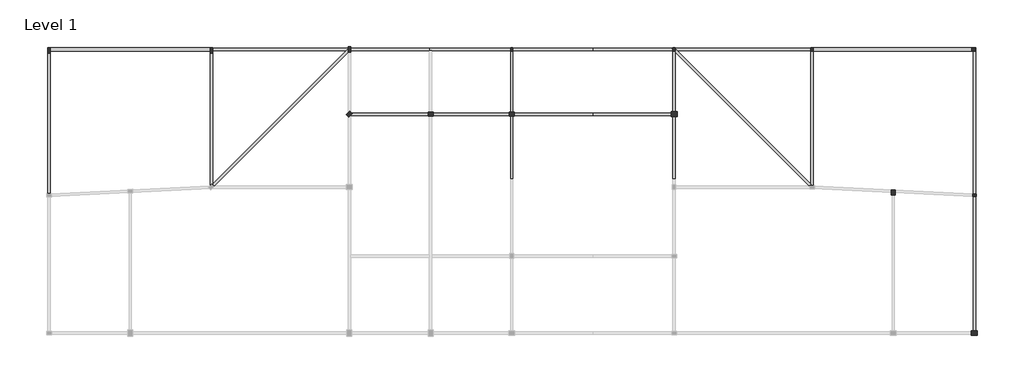
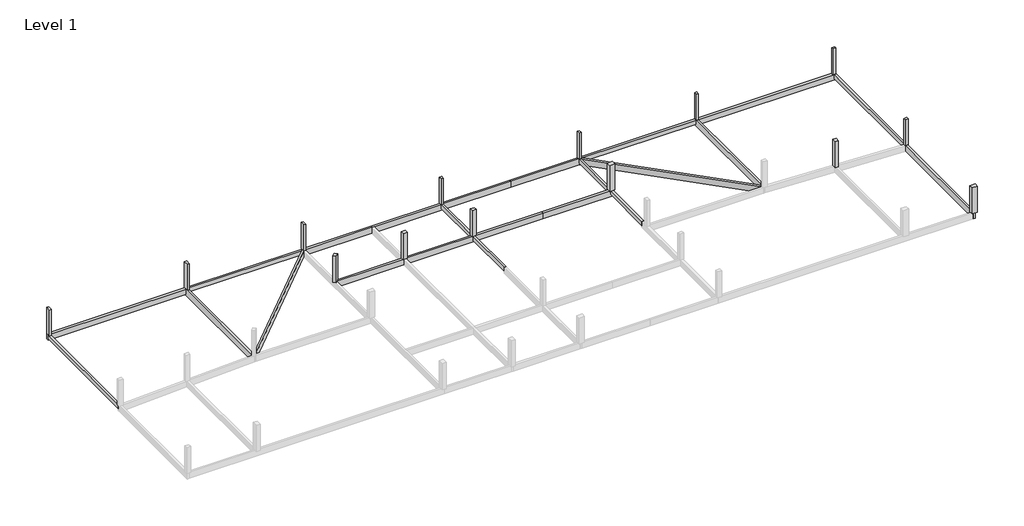
# One storey, part 2 of 2: 21 beams, 14 columns.
"""IFC4 building model written with IfcOpenShell, lengths in millimetres."""

from ifc_helpers import new_model, si_unit, frame, origin, origin_with_axes, place, context, project, spatial, polyline, outline, extrude, faceted_brep, element, save

model = new_model("IFC4")

# Units and contexts
model_context = context("Model", 3, world=origin())
ifc_project = project(units=[si_unit("LENGTHUNIT", "METRE", prefix="MILLI")], contexts=[model_context])

# Site, building, storey
site = spatial("IfcSite", under=ifc_project)
building = spatial("IfcBuilding", under=site)
storey = spatial("IfcBuildingStorey", under=building, Name="Level 1", Elevation=0.0)

# Beams
placement = place(None, origin())
element("IfcBeam", 1, ObjectType="M_Concrete-Rectangular Beam : 300 x 600mm", at=placement, inside=storey, context=model_context, shape_type="Brep", body=[
    faceted_brep([(-15172.6221164, 9758.1174774, 0.0), (-15472.6221164, 9758.1174774, 0.0), (-15472.6221164, 9458.1174774, 0.0), (-15472.6221164, -7899.1951396, 0.0), (-15172.6221164, -7884.1951396, 0.0), (-15172.6221164, 9458.1174774, 0.0), (-15472.6221164, 9758.1174774, -600.0), (-15472.6221164, -7899.1951396, -600.0), (-15172.6221164, 9758.1174774, -600.0), (-15172.6221164, -7884.1951396, -600.0)], [[[0, 1, 2, 3, 4, 5]], [[1, 6, 7, 3, 2]], [[6, 8, 9, 7]], [[8, 0, 5, 4, 9]], [[1, 0, 8, 6]], [[4, 3, 7, 9]]]),
])
element("IfcBeam", 2, ObjectType="M_Concrete-Rectangular Beam : 300 x 600mm", at=placement, inside=storey, context=model_context, shape_type="SweptSolid", body=[
    extrude(outline(polyline([(4827.3778836, 9808.1174774), (4827.3778836, 10108.1174774), (21527.3778836, 10108.1174774), (21527.3778836, 10020.2495118), (21315.2458493, 9808.1174774), (4827.3778836, 9808.1174774)])), frame((0.0, 0.0, -600.0), z_axis=(0.0, 0.0, 1.0), x_axis=(1.0, 0.0, 0.0)), (0.0, 0.0, 1.0), 600.0),
])
element("IfcBeam", 3, ObjectType="M_Concrete-Rectangular Beam : 300 x 600mm", at=placement, inside=storey, context=model_context, shape_type="Brep", body=[
    faceted_brep([(41527.3778836, -6041.8825226, 0.0), (41827.3778836, -6041.8825226, 0.0), (41827.3778836, 1808.1174774, 0.0), (41827.3778836, 2108.1174774, 0.0), (41827.3778836, 9733.1174774, 0.0), (41827.3778836, 9808.1174774, 0.0), (41527.3778836, 9808.1174774, 0.0), (41527.3778836, 9733.1174774, 0.0), (41527.3778836, 2108.1174774, 0.0), (41527.3778836, 1808.1174774, 0.0), (41827.3778836, -6041.8825226, -600.0), (41827.3778836, 1808.1174774, -600.0), (41827.3778836, 2108.1174774, -600.0), (41827.3778836, 9808.1174774, -600.0), (41527.3778836, -6041.8825226, -600.0), (41527.3778836, 1808.1174774, -600.0), (41527.3778836, 2108.1174774, -600.0), (41527.3778836, 9808.1174774, -600.0)], [[[0, 1, 2, 3, 4, 5, 6, 7, 8, 9]], [[1, 10, 11, 12, 13, 5, 4, 3, 2]], [[10, 14, 15, 16, 17, 13, 12, 11]], [[14, 0, 9, 8, 7, 6, 17, 16, 15]], [[6, 5, 13, 17]], [[0, 14, 10, 1]]]),
])
element("IfcBeam", 4, ObjectType="M_Concrete-Rectangular Beam : 300 x 600mm", at=placement, inside=storey, context=model_context, shape_type="SweptSolid", body=[
    extrude(outline(polyline([(98527.3778836, 9758.1174774), (98827.3778836, 9758.1174774), (98827.3778836, -7899.1951396), (98527.3778836, -7884.1951396), (98527.3778836, 9758.1174774)])), frame((0.0, 0.0, -600.0), z_axis=(0.0, 0.0, 1.0), x_axis=(1.0, 0.0, 0.0)), (0.0, 0.0, 1.0), 600.0),
])
element("IfcBeam", 5, ObjectType="M_Concrete-Rectangular Beam : 300 x 600mm", at=placement, inside=storey, context=model_context, shape_type="SweptSolid", body=[
    extrude(outline(polyline([(78527.3778836, 10108.1174774), (78527.3778836, 9808.1174774), (62039.509918, 9808.1174774), (61739.509918, 10108.1174774), (78527.3778836, 10108.1174774)])), frame((0.0, 0.0, -600.0), z_axis=(0.0, 0.0, 1.0), x_axis=(1.0, 0.0, 0.0)), (0.0, 0.0, 1.0), 600.0),
])
element("IfcBeam", 6, ObjectType="M_Concrete-Rectangular Beam : 300 x 600mm", at=placement, inside=storey, context=model_context, shape_type="Brep", body=[
    faceted_brep([(61527.3778836, -6041.8825226, 0.0), (61827.3778836, -6041.8825226, 0.0), (61827.3778836, 9595.9854431, 0.0), (61615.2458493, 9808.1174774, 0.0), (61527.3778836, 9808.1174774, 0.0), (61527.3778836, 9733.1174774, 0.0), (61527.3778836, 2108.1174774, 0.0), (61527.3778836, 1808.1174774, 0.0), (61827.3778836, -6041.8825226, -600.0), (61827.3778836, 9595.9854431, -600.0), (61527.3778836, -6041.8825226, -600.0), (61527.3778836, 1808.1174774, -600.0), (61527.3778836, 2108.1174774, -600.0), (61527.3778836, 9808.1174774, -600.0), (61615.2458493, 9808.1174774, -600.0)], [[[0, 1, 2, 3, 4, 5, 6, 7]], [[1, 8, 9, 2]], [[8, 10, 11, 12, 13, 14, 9]], [[10, 0, 7, 6, 5, 4, 13, 12, 11]], [[13, 4, 3, 14]], [[3, 2, 9, 14]], [[0, 10, 8, 1]]]),
])
element("IfcBeam", 7, ObjectType="M_Concrete-Rectangular Beam : 300 x 900mm", at=placement, inside=storey, context=model_context, shape_type="Brep", body=[
    faceted_brep([(4527.3778836, -7104.0145569, 0.0), (4827.3778836, -7104.0145569, 0.0), (4827.3778836, -6679.7504882, 0.0), (4827.3778836, 9458.1174774, 0.0), (4827.3778836, 9808.1174774, 0.0), (4827.3778836, 10108.1174774, 0.0), (4827.3778836, 10158.1174774, 0.0), (4527.3778836, 10158.1174774, 0.0), (4527.3778836, 9758.1174774, 0.0), (4527.3778836, 9458.1174774, 0.0), (4527.3778836, -6899.1951396, 0.0), (4527.3778836, -7104.0145569, -900.0), (4527.3778836, 10158.1174774, -800.0), (4527.3778836, 10158.1174774, -900.0), (4527.3778836, -6899.1951396, -900.0), (4827.3778836, -7104.0145569, -900.0), (4827.3778836, 10158.1174774, -900.0), (4827.3778836, -6679.7504882, -900.0)], [[[0, 1, 2, 3, 4, 5, 6, 7, 8, 9, 10]], [[11, 0, 10, 9, 8, 7, 12, 13, 14]], [[15, 11, 14, 13, 16, 17]], [[1, 15, 17, 16, 6, 5, 4, 3, 2]], [[1, 0, 11, 15]], [[7, 6, 16, 13, 12]]]),
])
element("IfcBeam", 8, ObjectType="M_Concrete-Rectangular Beam : 300 x 900mm", at=placement, inside=storey, context=model_context, shape_type="Brep", body=[
    faceted_brep([(21827.3778836, 9895.9854431, 0.0), (21615.2458493, 10108.1174774, 0.0), (21527.3778836, 10020.2495118, 0.0), (21315.2458493, 9808.1174774, 0.0), (4827.3778836, -6679.7504882, 0.0), (4827.3778836, -7104.0145569, 0.0), (5039.509918, -6891.8825226, 0.0), (21527.3778836, 9595.9854431, 0.0), (21827.3778836, 9895.9854431, -900.0), (4827.3778836, -7104.0145569, -900.0), (5039.509918, -6891.8825226, -900.0), (21527.3778836, 9595.9854431, -900.0), (21615.2458493, 10108.1174774, -900.0), (4827.3778836, -6679.7504882, -900.0), (21527.3778836, 10020.2495118, -900.0)], [[[0, 1, 2, 3, 4, 5, 6, 7]], [[8, 0, 7, 6, 5, 9, 10, 11]], [[12, 8, 11, 10, 9, 13, 14]], [[1, 12, 14, 13, 4, 3, 2]], [[5, 4, 13, 9]], [[1, 0, 8, 12]]]),
])
element("IfcBeam", 9, ObjectType="M_Concrete-Rectangular Beam : 300 x 900mm", at=placement, inside=storey, context=model_context, shape_type="Brep", body=[
    faceted_brep([(31527.3778836, 10108.1174774, 0.0), (31527.3778836, 9808.1174774, 0.0), (31827.3778836, 9808.1174774, 0.0), (41527.3778836, 9808.1174774, 0.0), (41827.3778836, 9808.1174774, 0.0), (41827.3778836, 10108.1174774, 0.0), (31527.3778836, 9808.1174774, -900.0), (31827.3778836, 9808.1174774, -900.0), (41827.3778836, 9808.1174774, -900.0), (41827.3778836, 9808.1174774, -600.0), (31527.3778836, 10108.1174774, -900.0), (41827.3778836, 10108.1174774, -900.0)], [[[0, 1, 2, 3, 4, 5]], [[1, 6, 7, 8, 9, 4, 3, 2]], [[6, 10, 11, 8, 7]], [[10, 0, 5, 11]], [[1, 0, 10, 6]], [[5, 4, 9, 8, 11]]]),
])
element("IfcBeam", 10, ObjectType="M_Concrete-Rectangular Beam : 300 x 900mm", at=placement, inside=storey, context=model_context, shape_type="SweptSolid", body=[
    extrude(outline(polyline([(-600.0, 41827.3778836), (-600.0, 41527.3778836), (0.0, 41527.3778836), (0.0, 31827.3778836), (-900.0, 31827.3778836), (-900.0, 41827.3778836), (-600.0, 41827.3778836)])), frame((0.0, 1808.1174774, 0.0), z_axis=(0.0, 1.0, 0.0), x_axis=(0.0, 0.0, 1.0)), (0.0, 0.0, 1.0), 300.0),
])
element("IfcBeam", 11, ObjectType="M_Concrete-Rectangular Beam : 300 x 900mm", at=placement, inside=storey, context=model_context, shape_type="Brep", body=[
    faceted_brep([(21527.3778836, 10108.1174774, 0.0), (21527.3778836, 10020.2495118, 0.0), (21615.2458493, 10108.1174774, 0.0), (31527.3778836, 9808.1174774, -900.0), (31527.3778836, 9808.1174774, 0.0), (21827.3778836, 9808.1174774, 0.0), (21827.3778836, 9808.1174774, -900.0), (21527.3778836, 10020.2495118, -900.0), (21527.3778836, 10108.1174774, -900.0), (21615.2458493, 10108.1174774, -900.0), (31527.3778836, 10108.1174774, 0.0), (31527.3778836, 10108.1174774, -900.0), (21527.3778836, 10108.1174774, -600.0), (21827.3778836, 9895.9854431, 0.0), (21827.3778836, 9895.9854431, -900.0), (21527.3778836, 10020.2495118, -600.0)], [[[0, 1, 2]], [[3, 4, 5, 6]], [[7, 8, 9]], [[10, 11, 9, 8, 12, 0, 2]], [[10, 4, 3, 11]], [[6, 5, 13, 14]], [[2, 9, 14, 13]], [[0, 12, 8, 7, 15, 1]], [[9, 2, 1, 15, 7]], [[4, 10, 2, 13, 5]], [[11, 3, 6, 14, 9]]]),
])
element("IfcBeam", 12, ObjectType="M_Concrete-Rectangular Beam : 300 x 900mm", at=placement, inside=storey, context=model_context, shape_type="SweptSolid", body=[
    extrude(outline(polyline([(31527.3778836, 2108.1174774), (31527.3778836, 1808.1174774), (21827.3778836, 1808.1174774), (21827.3778836, 2108.1174774), (31527.3778836, 2108.1174774)])), frame((0.0, 0.0, -900.0), z_axis=(0.0, 0.0, 1.0), x_axis=(1.0, 0.0, 0.0)), (0.0, 0.0, 1.0), 900.0),
])
element("IfcBeam", 13, ObjectType="M_Concrete-Rectangular Beam : 300 x 900mm", at=placement, inside=storey, context=model_context, shape_type="Brep", body=[
    faceted_brep([(78527.3778836, -7104.0145569, 0.0), (78827.3778836, -7104.0145569, 0.0), (78827.3778836, -6899.1951396, 0.0), (78827.3778836, 9733.1174774, 0.0), (78827.3778836, 9758.1174774, 0.0), (78827.3778836, 10158.1174774, 0.0), (78527.3778836, 10158.1174774, 0.0), (78527.3778836, 10108.1174774, 0.0), (78527.3778836, 9808.1174774, 0.0), (78527.3778836, 9733.1174774, 0.0), (78527.3778836, -6679.7504882, 0.0), (78827.3778836, -7104.0145569, -900.0), (78827.3778836, -6899.1951396, -900.0), (78827.3778836, 10158.1174774, -900.0), (78827.3778836, 10158.1174774, -800.0), (78527.3778836, -7104.0145569, -900.0), (78527.3778836, -6679.7504882, -900.0), (78527.3778836, 10158.1174774, -900.0)], [[[0, 1, 2, 3, 4, 5, 6, 7, 8, 9, 10]], [[1, 11, 12, 13, 14, 5, 4, 3, 2]], [[11, 15, 16, 17, 13, 12]], [[15, 0, 10, 9, 8, 7, 6, 17, 16]], [[6, 5, 14, 13, 17]], [[1, 0, 15, 11]]]),
])
element("IfcBeam", 14, ObjectType="M_Concrete-Rectangular Beam : 300 x 900mm", at=placement, inside=storey, context=model_context, shape_type="Brep", body=[
    faceted_brep([(61739.509918, 10108.1174774, 0.0), (61315.2458493, 10108.1174774, 0.0), (61615.2458493, 9808.1174774, 0.0), (61827.3778836, 9595.9854431, 0.0), (78315.2458493, -6891.8825226, 0.0), (78527.3778836, -7104.0145569, 0.0), (78527.3778836, -6679.7504882, 0.0), (62039.509918, 9808.1174774, 0.0), (61315.2458493, 10108.1174774, -900.0), (61615.2458493, 9808.1174774, -900.0), (78315.2458493, -6891.8825226, -900.0), (78527.3778836, -7104.0145569, -900.0), (61739.509918, 10108.1174774, -900.0), (78527.3778836, -6679.7504882, -900.0), (61739.509918, 10108.1174774, -600.0)], [[[0, 1, 2, 3, 4, 5, 6, 7]], [[1, 8, 9, 10, 11, 5, 4, 3, 2]], [[8, 12, 13, 11, 10, 9]], [[12, 14, 0, 7, 6, 13]], [[6, 5, 11, 13]], [[1, 0, 14, 12, 8]]]),
])
element("IfcBeam", 15, ObjectType="M_Concrete-Rectangular Beam : 300 x 900mm", at=placement, inside=storey, context=model_context, shape_type="Brep", body=[
    faceted_brep([(98527.3778836, -25191.8825226, 0.0), (98827.3778836, -25191.8825226, 0.0), (98827.3778836, -8199.5699055, 0.0), (98527.3778836, -8184.5699055, 0.0), (98527.3778836, -24891.8825226, 0.0), (98827.3778836, -25191.8825226, -900.0), (98827.3778836, -8199.5699055, -900.0), (98527.3778836, -25191.8825226, -900.0), (98527.3778836, -24891.8825226, -900.0), (98527.3778836, -8184.5699055, -900.0)], [[[0, 1, 2, 3, 4]], [[1, 5, 6, 2]], [[5, 7, 8, 9, 6]], [[7, 0, 4, 3, 9, 8]], [[3, 2, 6, 9]], [[1, 0, 7, 5]]]),
])
element("IfcBeam", 16, ObjectType="M_Concrete-Rectangular Beam : 300 x 900mm", at=placement, inside=storey, context=model_context, shape_type="SweptSolid", body=[
    extrude(outline(polyline([(51677.3778836, 10108.1174774), (51677.3778836, 9808.1174774), (41827.3778836, 9808.1174774), (41827.3778836, 10108.1174774), (51677.3778836, 10108.1174774)])), frame((0.0, 0.0, -900.0), z_axis=(0.0, 0.0, 1.0), x_axis=(1.0, 0.0, 0.0)), (0.0, 0.0, 1.0), 900.0),
])
element("IfcBeam", 17, ObjectType="M_Concrete-Rectangular Beam : 300 x 900mm", at=placement, inside=storey, context=model_context, shape_type="Brep", body=[
    faceted_brep([(41827.3778836, 2108.1174774, 0.0), (41827.3778836, 1808.1174774, 0.0), (51677.3778836, 1808.1174774, 0.0), (51677.3778836, 2108.1174774, 0.0), (41827.3778836, 1808.1174774, -600.0), (41827.3778836, 1808.1174774, -900.0), (51677.3778836, 1808.1174774, -900.0), (51677.3778836, 2108.1174774, -900.0), (41827.3778836, 2108.1174774, -900.0), (41827.3778836, 2108.1174774, -600.0)], [[[0, 1, 2, 3]], [[1, 4, 5, 6, 2]], [[7, 6, 5, 8]], [[8, 9, 0, 3, 7]], [[1, 0, 9, 8, 5, 4]], [[3, 2, 6, 7]]]),
])
element("IfcBeam", 18, ObjectType="M_Concrete-Rectangular Beam : 300 x 900mm", at=placement, inside=storey, context=model_context, shape_type="Brep", body=[
    faceted_brep([(51677.3778836, 10108.1174774, 0.0), (51677.3778836, 9808.1174774, 0.0), (61527.3778836, 9808.1174774, 0.0), (61615.2458493, 9808.1174774, 0.0), (61315.2458493, 10108.1174774, 0.0), (51677.3778836, 9808.1174774, -900.0), (61615.2458493, 9808.1174774, -900.0), (61615.2458493, 9808.1174774, -600.0), (51677.3778836, 10108.1174774, -900.0), (61315.2458493, 10108.1174774, -900.0)], [[[0, 1, 2, 3, 4]], [[1, 5, 6, 7, 3, 2]], [[5, 8, 9, 6]], [[8, 0, 4, 9]], [[4, 3, 7, 6, 9]], [[0, 8, 5, 1]]]),
])
element("IfcBeam", 19, ObjectType="M_Concrete-Rectangular Beam : 300 x 900mm", at=placement, inside=storey, context=model_context, shape_type="SweptSolid", body=[
    extrude(outline(polyline([(-900.0, 51677.3778836), (-900.0, 61677.3778836), (-600.0, 61677.3778836), (-600.0, 61527.3778836), (0.0, 61527.3778836), (0.0, 51677.3778836), (-900.0, 51677.3778836)])), frame((0.0, 1808.1174774, 0.0), z_axis=(0.0, 1.0, 0.0), x_axis=(0.0, 0.0, 1.0)), (0.0, 0.0, 1.0), 300.0),
])
element("IfcBeam", 20, ObjectType="M_Concrete-Rectangular Beam : 400 x 800mm", at=placement, inside=storey, context=model_context, shape_type="Brep", body=[
    faceted_brep([(-15472.6221164, 10158.1174774, 0.0), (-15472.6221164, 9758.1174774, 0.0), (-15172.6221164, 9758.1174774, 0.0), (4527.3778836, 9758.1174774, 0.0), (4527.3778836, 10158.1174774, 0.0), (-15172.6221164, 10158.1174774, 0.0), (-15472.6221164, 9758.1174774, -600.0), (-15472.6221164, 9758.1174774, -800.0), (4527.3778836, 9758.1174774, -800.0), (-15472.6221164, 10158.1174774, -800.0), (4527.3778836, 10158.1174774, -800.0)], [[[0, 1, 2, 3, 4, 5]], [[1, 6, 7, 8, 3, 2]], [[7, 9, 10, 8]], [[9, 0, 5, 4, 10]], [[4, 3, 8, 10]], [[1, 0, 9, 7, 6]]]),
])
element("IfcBeam", 21, ObjectType="M_Concrete-Rectangular Beam : 400 x 800mm", at=placement, inside=storey, context=model_context, shape_type="Brep", body=[
    faceted_brep([(98827.3778836, 9758.1174774, 0.0), (98827.3778836, 10158.1174774, 0.0), (78827.3778836, 10158.1174774, 0.0), (78827.3778836, 9758.1174774, 0.0), (98527.3778836, 9758.1174774, 0.0), (98827.3778836, 9758.1174774, -800.0), (98827.3778836, 9758.1174774, -600.0), (78827.3778836, 9758.1174774, -800.0), (98827.3778836, 10158.1174774, -800.0), (78827.3778836, 10158.1174774, -800.0)], [[[0, 1, 2, 3, 4]], [[5, 6, 0, 4, 3, 7]], [[8, 5, 7, 9]], [[1, 8, 9, 2]], [[3, 2, 9, 7]], [[1, 0, 6, 5, 8]]]),
])

# Columns
element("IfcColumn", 22, ObjectType="M_Concrete-Rectangular-Column : 300 x 450mm", at=placement, inside=storey, context=model_context, shape_type="Brep", body=[
    faceted_brep([(41827.3778836, 10183.1174774, 0.0), (41827.3778836, 10108.1174774, 0.0), (41827.3778836, 9808.1174774, 0.0), (41827.3778836, 9733.1174774, 0.0), (41527.3778836, 9733.1174774, 0.0), (41527.3778836, 9808.1174774, 0.0), (41527.3778836, 10183.1174774, 0.0), (41827.3778836, 10183.1174774, 4000.0), (41827.3778836, 9733.1174774, 4000.0), (41527.3778836, 9733.1174774, 4000.0), (41527.3778836, 10183.1174774, 4000.0)], [[[0, 1, 2, 3, 4, 5, 6]], [[7, 8, 3, 2, 1, 0]], [[8, 9, 4, 3]], [[9, 10, 6, 5, 4]], [[10, 7, 0, 6]], [[7, 10, 9, 8]]]),
])
element("IfcColumn", 23, ObjectType="M_Concrete-Rectangular-Column : 300 x 450mm", at=placement, inside=storey, context=model_context, shape_type="Brep", body=[
    faceted_brep([(61827.3778836, 10183.1174774, 0.0), (61827.3778836, 9733.1174774, 0.0), (61527.3778836, 9733.1174774, 0.0), (61527.3778836, 9808.1174774, 0.0), (61527.3778836, 10183.1174774, 0.0), (61827.3778836, 10183.1174774, 4000.0), (61827.3778836, 9733.1174774, 4000.0), (61527.3778836, 9733.1174774, 4000.0), (61527.3778836, 10183.1174774, 4000.0)], [[[0, 1, 2, 3, 4]], [[5, 6, 1, 0]], [[6, 7, 2, 1]], [[7, 8, 4, 3, 2]], [[8, 5, 0, 4]], [[5, 8, 7, 6]]]),
])
element("IfcColumn", 24, ObjectType="M_Concrete-Rectangular-Column : 300 x 450mm", at=placement, inside=storey, context=model_context, shape_type="Brep", body=[
    faceted_brep([(78827.3778836, 10183.1174774, 0.0), (78827.3778836, 10158.1174774, 0.0), (78827.3778836, 9733.1174774, 0.0), (78527.3778836, 9733.1174774, 0.0), (78527.3778836, 10158.1174774, 0.0), (78527.3778836, 10183.1174774, 0.0), (78827.3778836, 10183.1174774, 4000.0), (78827.3778836, 9733.1174774, 4000.0), (78527.3778836, 9733.1174774, 4000.0), (78527.3778836, 10183.1174774, 4000.0)], [[[0, 1, 2, 3, 4, 5]], [[6, 7, 2, 1, 0]], [[7, 8, 3, 2]], [[8, 9, 5, 4, 3]], [[9, 6, 0, 5]], [[6, 9, 8, 7]]]),
])
element("IfcColumn", 25, ObjectType="M_Concrete-Rectangular-Column : 300 x 450mm", at=placement, inside=storey, context=model_context, shape_type="SweptSolid", body=[
    extrude(outline(polyline([(98352.3778836, 10108.1174774), (98802.3778836, 10108.1174774), (98802.3778836, 9808.1174774), (98352.3778836, 9808.1174774), (98352.3778836, 10108.1174774)])), origin_with_axes(), (0.0, 0.0, 1.0), 4000.0),
])
element("IfcColumn", 26, ObjectType="M_Concrete-Rectangular-Column : 300 x 450mm", at=placement, inside=storey, context=model_context, shape_type="SweptSolid", body=[
    extrude(outline(polyline([(98452.3778836, -7891.8825226), (98902.3778836, -7891.8825226), (98902.3778836, -8191.8825226), (98452.3778836, -8191.8825226), (98452.3778836, -7891.8825226)])), origin_with_axes(), (0.0, 0.0, 1.0), 4000.0),
])
element("IfcColumn", 27, ObjectType="M_Concrete-Rectangular-Column : 300 x 700mm", at=placement, inside=storey, context=model_context, shape_type="Brep", body=[
    faceted_brep([(-15172.6221164, 10158.1174774, 0.0), (-15172.6221164, 9758.1174774, 0.0), (-15172.6221164, 9458.1174774, 0.0), (-15472.6221164, 9458.1174774, 0.0), (-15472.6221164, 9758.1174774, 0.0), (-15472.6221164, 10158.1174774, 0.0), (-15172.6221164, 10158.1174774, 4000.0), (-15172.6221164, 9458.1174774, 4000.0), (-15472.6221164, 9458.1174774, 4000.0), (-15472.6221164, 10158.1174774, 4000.0)], [[[0, 1, 2, 3, 4, 5]], [[6, 7, 2, 1, 0]], [[7, 8, 3, 2]], [[8, 9, 5, 4, 3]], [[9, 6, 0, 5]], [[6, 9, 8, 7]]]),
])
element("IfcColumn", 28, ObjectType="M_Concrete-Rectangular-Column : 300 x 700mm", at=placement, inside=storey, context=model_context, shape_type="SweptSolid", body=[
    extrude(outline(polyline([(4827.3778836, 10158.1174774), (4827.3778836, 9458.1174774), (4527.3778836, 9458.1174774), (4527.3778836, 10158.1174774), (4827.3778836, 10158.1174774)])), origin_with_axes(), (0.0, 0.0, 1.0), 4000.0),
])
element("IfcColumn", 29, ObjectType="M_Concrete-Rectangular-Column : 300 x 700mm", at=placement, inside=storey, context=model_context, shape_type="Brep", body=[
    faceted_brep([(21827.3778836, 10308.1174774, 0.0), (21827.3778836, 9895.9854431, 0.0), (21827.3778836, 9608.1174774, 0.0), (21527.3778836, 9608.1174774, 0.0), (21527.3778836, 10020.2495118, 0.0), (21527.3778836, 10108.1174774, 0.0), (21527.3778836, 10308.1174774, 0.0), (21827.3778836, 10308.1174774, 4000.0), (21827.3778836, 9608.1174774, 4000.0), (21527.3778836, 9608.1174774, 4000.0), (21527.3778836, 10308.1174774, 4000.0)], [[[0, 1, 2, 3, 4, 5, 6]], [[7, 8, 2, 1, 0]], [[8, 9, 3, 2]], [[9, 10, 6, 5, 4, 3]], [[10, 7, 0, 6]], [[7, 10, 9, 8]]]),
])
element("IfcColumn", 30, ObjectType="M_Concrete-Rectangular-Column : 450 x 600mm", at=placement, inside=storey, context=model_context, shape_type="SweptSolid", body=[
    extrude(outline(polyline([(88902.3778836, -7392.0699055), (88902.3778836, -7992.0699055), (88452.3778836, -7992.0699055), (88452.3778836, -7392.0699055), (88902.3778836, -7392.0699055)])), origin_with_axes(), (0.0, 0.0, 1.0), 4000.0),
])
element("IfcColumn", 31, ObjectType="M_Concrete-Rectangular-Column : 450 x 600mm", at=placement, inside=storey, context=model_context, shape_type="SweptSolid", body=[
    extrude(outline(polyline([(41977.3778836, 1733.1174774), (41377.3778836, 1733.1174774), (41377.3778836, 2183.1174774), (41977.3778836, 2183.1174774), (41977.3778836, 1733.1174774)])), origin_with_axes(), (0.0, 0.0, 1.0), 4000.0),
])
element("IfcColumn", 32, ObjectType="M_Concrete-Rectangular-Column : 450 x 600mm", at=placement, inside=storey, context=model_context, shape_type="SweptSolid", body=[
    extrude(outline(polyline([(31977.3778836, 1733.1174774), (31377.3778836, 1733.1174774), (31377.3778836, 2183.1174774), (31977.3778836, 2183.1174774), (31977.3778836, 1733.1174774)])), origin_with_axes(), (0.0, 0.0, 1.0), 4000.0),
])
element("IfcColumn", 33, ObjectType="M_Concrete-Rectangular-Column : 450 x 600mm", at=placement, inside=storey, context=model_context, shape_type="SweptSolid", body=[
    extrude(outline(polyline([(22048.6089437, 2011.150486), (21624.344875, 1586.8864173), (21306.1468235, 1905.0844688), (21730.4108922, 2329.3485375), (22048.6089437, 2011.150486)])), origin_with_axes(), (0.0, 0.0, 1.0), 4000.0),
])
element("IfcColumn", 34, ObjectType="M_Concrete-Rectangular-Column : 600 x 750mm", at=placement, inside=storey, context=model_context, shape_type="SweptSolid", body=[
    extrude(outline(polyline([(98302.3778836, -24741.8825226), (99052.3778836, -24741.8825226), (99052.3778836, -25341.8825226), (98302.3778836, -25341.8825226), (98302.3778836, -24741.8825226)])), origin_with_axes(), (0.0, 0.0, 1.0), 4000.0),
])
element("IfcColumn", 35, ObjectType="M_Concrete-Rectangular-Column : 600 x 750mm", at=placement, inside=storey, context=model_context, shape_type="SweptSolid", body=[
    extrude(outline(polyline([(61302.3778836, 2258.1174774), (62052.3778836, 2258.1174774), (62052.3778836, 1658.1174774), (61302.3778836, 1658.1174774), (61302.3778836, 2258.1174774)])), origin_with_axes(), (0.0, 0.0, 1.0), 4000.0),
])

save(model, "model.ifc")
